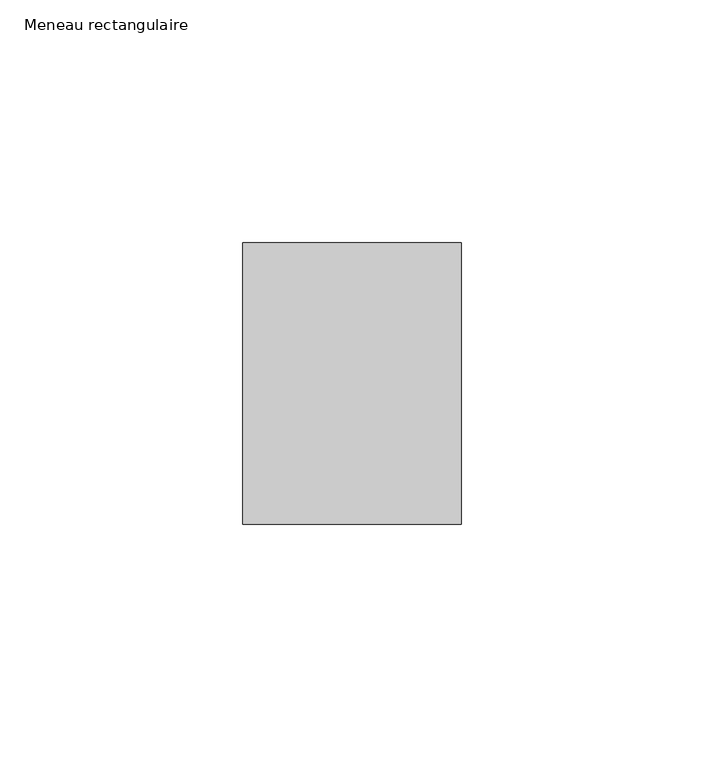
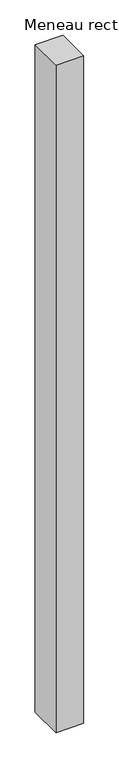
"""IFC4 building model written with IfcOpenShell, lengths in millimetres: member geometry, Meneau rectangulaire."""

from ifc_helpers import new_model, si_unit, frame, origin, place, context, project, spatial, polyline, outline, extrude, source, transform, mapped, element, save


def meneau_rectangulaire_377e2ffb(model_context):
    return source(origin(), model_context, "Body", "SweptSolid", [
        extrude(outline(polyline([(-45.0, 29.0), (0.0, 29.0), (0.0, -29.0), (-45.0, -29.0), (-45.0, 29.0)])), frame((0.0, 0.0, -1148.1250002), z_axis=(0.0, 0.0, 1.0), x_axis=(1.0, 0.0, 0.0)), (0.0, 0.0, 1.0), 1148.1250002),
    ])


if __name__ == "__main__":
    model = new_model("IFC4")
    model_context = context("Model", 3, world=origin())
    ifc_project = project(units=[si_unit("LENGTHUNIT", "METRE", prefix="MILLI")], contexts=[model_context])
    site = spatial("IfcSite", under=ifc_project)
    building = spatial("IfcBuilding", under=site)
    placement = place(None, origin())
    meneau_rectangulaire_shape = meneau_rectangulaire_377e2ffb(model_context)
    element("IfcMember", 1, ObjectType="Meneau rectangulaire", at=placement, inside=building, context=model_context, shape_type="MappedRepresentation", body=[
        mapped(meneau_rectangulaire_shape, transform((0.0, 0.0, 0.0), x_axis=(1.0, 0.0, 0.0), y_axis=(0.0, 1.0, 0.0), z_axis=(0.0, 0.0, 1.0))),
    ])
    save(model, "model.ifc")
